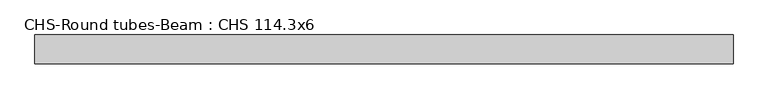
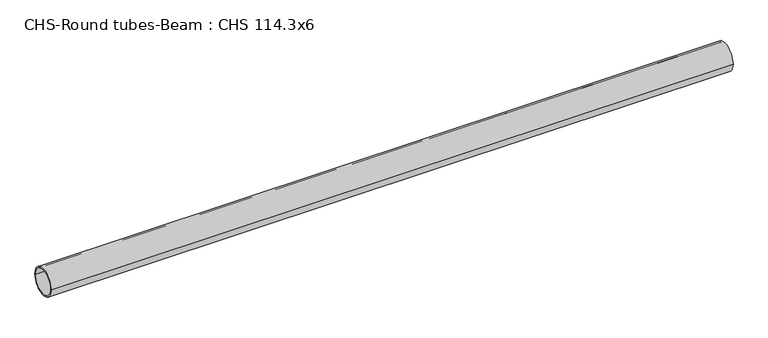
"""IFC4 building model written with IfcOpenShell, lengths in millimetres: beam geometry, CHS-Round tubes-Beam : CHS 114.3x6."""

from ifc_helpers import new_model, si_unit, point, frame, origin, origin_2d, place, context, project, spatial, circle_curve, trimmed, segment, composite_curve, outline, extrude, source, transform, mapped, element, save


def chs_round_tubes_beam_chs_114_3x6_1db3e023(model_context):
    return source(origin(), model_context, "Body", "SweptSolid", [
        extrude(outline(composite_curve([segment(trimmed(circle_curve(origin_2d(), 57.15), [point((57.15, 0.0))], [point((-57.15, 0.0))], False, "CARTESIAN"), True, "CONTINUOUS"), segment(trimmed(circle_curve(origin_2d(), 57.15), [point((-57.15, 0.0))], [point((57.15, 0.0))], False, "CARTESIAN"), True, "CONTINUOUS")], self_intersect=False), holes=[composite_curve([segment(trimmed(circle_curve(origin_2d(), 51.15), [point((51.15, 0.0))], [point((-51.15, 0.0))], True, "CARTESIAN"), True, "CONTINUOUS"), segment(trimmed(circle_curve(origin_2d(), 51.15), [point((-51.15, 0.0))], [point((51.15, 0.0))], True, "CARTESIAN"), True, "CONTINUOUS")], self_intersect=False)]), frame((-1334.7545934, 0.0, 0.0), z_axis=(1.0, 0.0, 0.0), x_axis=(0.0, 1.0, 0.0)), (0.0, 0.0, 1.0), 2766.2799591),
    ])


if __name__ == "__main__":
    model = new_model("IFC4")
    model_context = context("Model", 3, world=origin())
    ifc_project = project(units=[si_unit("LENGTHUNIT", "METRE", prefix="MILLI")], contexts=[model_context])
    site = spatial("IfcSite", under=ifc_project)
    building = spatial("IfcBuilding", under=site)
    placement = place(None, origin())
    chs_round_tubes_beam_chs_114_3x6_shape = chs_round_tubes_beam_chs_114_3x6_1db3e023(model_context)
    element("IfcBeam", 1, ObjectType="CHS-Round tubes-Beam : CHS 114.3x6", at=placement, inside=building, context=model_context, shape_type="MappedRepresentation", body=[
        mapped(chs_round_tubes_beam_chs_114_3x6_shape, transform((0.0, 0.0, 0.0), x_axis=(1.0, 0.0, 0.0), y_axis=(0.0, 1.0, 0.0), z_axis=(0.0, 0.0, 1.0))),
    ])
    save(model, "model.ifc")
